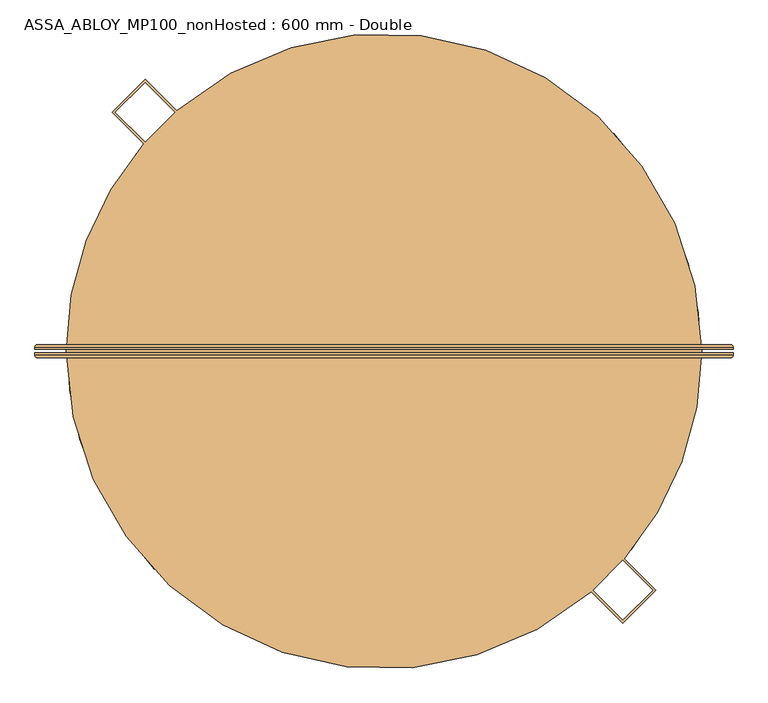
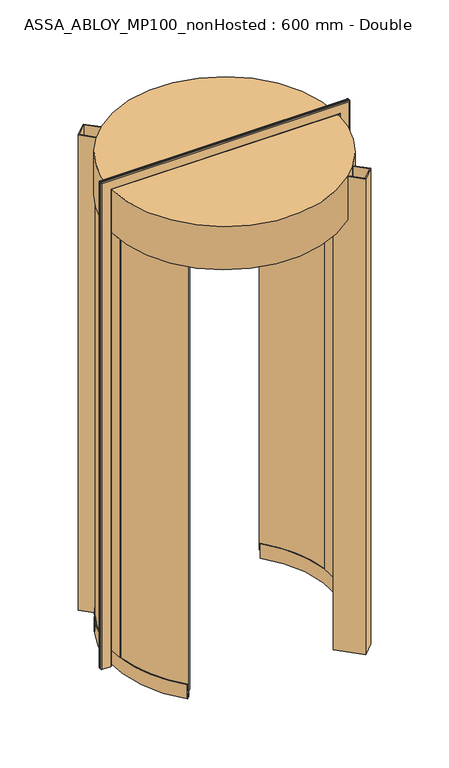
"""IFC4 building model written with IfcOpenShell, lengths in millimetres: door geometry, ASSA_ABLOY_MP100_nonHosted : 600 mm - Double."""

from ifc_helpers import new_model, si_unit, point, frame, origin, origin_2d, place, context, project, spatial, polyline, circle_curve, ellipse_curve, trimmed, segment, composite_curve, outline, extrude, source, transform, mapped, element, save
from ifc_brep_helpers import plane_surface, cylinder_surface, revolved_surface, advanced_brep


def assa_abloy_mp100_nonhosted_600_mm_double_6b673cdb(model_context):
    return source(origin(), model_context, "Body", "SolidModel", [
        advanced_brep(
        [(595.0980762, 11.0, 0.0), (599.0980762, 7.0, 0.0), (599.0980762, 3.0, 0.0), (597.0980762, 3.0, 0.0), (597.0980762, 7.0, 0.0), (595.0980762, 9.0, 0.0), (553.0980762, 9.0, 0.0), (551.0980762, 7.0, 0.0), (551.0980762, 3.0, 0.0), (549.0980762, 3.0, 0.0), (549.0980762, 7.0, 0.0), (553.0980762, 11.0, 0.0), (595.0980762, 11.0, 2470.9980762), (599.0980762, 7.0, 2474.9980762), (599.0980762, 3.0, 2474.9980762), (549.0980762, 7.0, 2424.9980762), (553.0980762, 11.0, 2428.9980762), (-553.0980762, 11.0, 2428.9980762), (-553.0980762, 11.0, 0.0), (-595.0980762, 11.0, 0.0), (-595.0980762, 11.0, 2470.9980762), (-599.0980762, 7.0, 2474.9980762), (-599.0980762, 3.0, 2474.9980762), (-549.0980762, 7.0, 2424.9980762), (-549.0980762, 7.0, 0.0), (-549.0980762, 3.0, 0.0), (-551.0980762, 3.0, 0.0), (-551.0980762, 7.0, 0.0), (-553.0980762, 9.0, 0.0), (-595.0980762, 9.0, 0.0), (-597.0980762, 7.0, 0.0), (-597.0980762, 3.0, 0.0), (-599.0980762, 3.0, 0.0), (-599.0980762, 7.0, 0.0), (-597.0980762, 3.0, 2472.9980762), (597.0980762, 3.0, 2472.9980762), (597.0980762, 7.0, 2472.9980762), (595.0980762, 9.0, 2470.9980762), (-595.0980762, 9.0, 2470.9980762), (-553.0980762, 9.0, 2428.9980762), (553.0980762, 9.0, 2428.9980762), (551.0980762, 7.0, 2426.9980762), (551.0980762, 3.0, 2426.9980762), (-551.0980762, 3.0, 2426.9980762), (-549.0980762, 3.0, 2424.9980762), (549.0980762, 3.0, 2424.9980762), (-597.0980762, 7.0, 2472.9980762), (-551.0980762, 7.0, 2426.9980762)],
        [
            (0, 1, circle_curve(frame((595.0980762, 7.0, 0.0), z_axis=(0.0, 0.0, -1.0), x_axis=(-1.0, 0.0, 0.0)), 4.0)),
            (1, 2),
            (2, 3),
            (3, 4),
            (4, 5, circle_curve(frame((595.0980762, 7.0, 0.0), z_axis=(0.0, 0.0, 1.0), x_axis=(-1.0, 0.0, 0.0)), 2.0)),
            (5, 6),
            (6, 7, circle_curve(frame((553.0980762, 7.0, 0.0), z_axis=(0.0, 0.0, 1.0), x_axis=(-1.0, 0.0, 0.0)), 2.0)),
            (7, 8),
            (8, 9),
            (9, 10),
            (10, 11, circle_curve(frame((553.0980762, 7.0, 0.0), z_axis=(0.0, 0.0, -1.0), x_axis=(-1.0, 0.0, 0.0)), 4.0)),
            (11, 0),
            (0, 12),
            (12, 13, ellipse_curve(frame((595.0980762, 7.0, 2470.9980762), z_axis=(0.7071067811865475, 0.0, -0.7071067811865475), x_axis=(-0.7071067811865474, 0.0, -0.7071067811865476)), 5.6568542, 4.0)),
            (13, 1),
            (13, 14),
            (14, 2),
            (10, 15),
            (15, 16, ellipse_curve(frame((553.0980762, 7.0, 2428.9980762), z_axis=(0.7071067811865475, 0.0, -0.7071067811865475), x_axis=(-0.7071067811865474, 0.0, -0.7071067811865476)), 5.6568542, 4.0)),
            (16, 11),
            (16, 17),
            (17, 18),
            (18, 19),
            (19, 20),
            (20, 12),
            (20, 21, ellipse_curve(frame((-595.0980762, 7.0, 2470.9980762), z_axis=(0.7071067811865475, 0.0, 0.7071067811865475), x_axis=(0.7071067811865476, 0.0, -0.7071067811865474)), 5.6568542, 4.0)),
            (21, 13),
            (21, 22),
            (22, 14),
            (15, 23),
            (23, 17, ellipse_curve(frame((-553.0980762, 7.0, 2428.9980762), z_axis=(0.7071067811865475, 0.0, 0.7071067811865475), x_axis=(0.7071067811865476, 0.0, -0.7071067811865474)), 5.6568542, 4.0)),
            (18, 24, circle_curve(frame((-553.0980762, 7.0, 0.0), z_axis=(0.0, 0.0, -1.0), x_axis=(1.0, 0.0, 0.0)), 4.0)),
            (24, 25),
            (25, 26),
            (26, 27),
            (27, 28, circle_curve(frame((-553.0980762, 7.0, 0.0), z_axis=(0.0, 0.0, 1.0), x_axis=(1.0, 0.0, 0.0)), 2.0)),
            (28, 29),
            (29, 30, circle_curve(frame((-595.0980762, 7.0, 0.0), z_axis=(0.0, 0.0, 1.0), x_axis=(1.0, 0.0, 0.0)), 2.0)),
            (30, 31),
            (31, 32),
            (32, 33),
            (33, 19, circle_curve(frame((-595.0980762, 7.0, 0.0), z_axis=(0.0, 0.0, -1.0), x_axis=(1.0, 0.0, 0.0)), 4.0)),
            (33, 21),
            (32, 22),
            (23, 24),
            (31, 34),
            (34, 35),
            (35, 3),
            (35, 36),
            (36, 4),
            (36, 37, ellipse_curve(frame((595.0980762, 7.0, 2470.9980762), z_axis=(-0.7071067811865475, 0.0, 0.7071067811865475), x_axis=(0.7071067811865474, 0.0, 0.7071067811865476)), 2.8284271, 2.0)),
            (37, 5),
            (37, 38),
            (38, 29),
            (28, 39),
            (39, 40),
            (40, 6),
            (40, 41, ellipse_curve(frame((553.0980762, 7.0, 2428.9980762), z_axis=(-0.7071067811865475, 0.0, 0.7071067811865475), x_axis=(0.7071067811865474, 0.0, 0.7071067811865476)), 2.8284271, 2.0)),
            (41, 7),
            (41, 42),
            (42, 8),
            (42, 43),
            (43, 26),
            (25, 44),
            (44, 45),
            (45, 9),
            (45, 15),
            (34, 46),
            (46, 36),
            (46, 38, ellipse_curve(frame((-595.0980762, 7.0, 2470.9980762), z_axis=(-0.7071067811865475, 0.0, -0.7071067811865475), x_axis=(-0.7071067811865476, 0.0, 0.7071067811865474)), 2.8284271, 2.0)),
            (39, 47, ellipse_curve(frame((-553.0980762, 7.0, 2428.9980762), z_axis=(-0.7071067811865475, 0.0, -0.7071067811865475), x_axis=(-0.7071067811865476, 0.0, 0.7071067811865474)), 2.8284271, 2.0)),
            (47, 41),
            (47, 43),
            (44, 23),
            (30, 46),
            (27, 47),
        ],
        [
            plane_surface(frame((549.1, 0.0, 0.0), z_axis=(0.0, 0.0, -1.0), x_axis=(0.0, -1.0, 0.0))),
            cylinder_surface(frame((595.0980762, 7.0, 0.0), z_axis=(0.0, 0.0, -1.0), x_axis=(-1.0, 0.0, 0.0)), 4.0),
            plane_surface(frame((599.0980762, 7.0, 0.0), z_axis=(1.0, 0.0, 0.0), x_axis=(0.0, 0.0, 1.0))),
            cylinder_surface(frame((553.0980762, 7.0, 0.0), z_axis=(0.0, 0.0, -1.0), x_axis=(-1.0, 0.0, 0.0)), 4.0),
            plane_surface(frame((553.0980762, 11.0, 0.0), z_axis=(0.0, 1.0, 0.0), x_axis=(0.0, 0.0, 1.0))),
            cylinder_surface(frame((549.1, 7.0, 2470.9980762), z_axis=(1.0, 0.0, 0.0), x_axis=(0.0, 0.0, -1.0)), 4.0),
            plane_surface(frame((599.0980762, 7.0, 2474.9980762), z_axis=(0.0, 0.0, 1.0), x_axis=(-1.0, 0.0, 0.0))),
            cylinder_surface(frame((549.1, 7.0, 2428.9980762), z_axis=(1.0, 0.0, 0.0), x_axis=(0.0, 0.0, -1.0)), 4.0),
            plane_surface(frame((-549.1, 0.0, 0.0), z_axis=(0.0, 0.0, -1.0), x_axis=(0.0, -1.0, 0.0))),
            cylinder_surface(frame((-595.0980762, 7.0, 2425.0), z_axis=(0.0, 0.0, 1.0), x_axis=(1.0, 0.0, 0.0)), 4.0),
            plane_surface(frame((-599.0980762, 7.0, 2474.9980762), z_axis=(-1.0, 0.0, 0.0), x_axis=(0.0, 0.0, -1.0))),
            cylinder_surface(frame((-553.0980762, 7.0, 2425.0), z_axis=(0.0, 0.0, 1.0), x_axis=(1.0, 0.0, 0.0)), 4.0),
            plane_surface(frame((599.0980762, 3.0, 0.0), z_axis=(0.0, -1.0, 0.0), x_axis=(0.0, 0.0, 1.0))),
            plane_surface(frame((597.0980762, 3.0, 0.0), z_axis=(-1.0, 0.0, 0.0), x_axis=(0.0, 0.0, 1.0))),
            revolved_surface(polyline([(593.0980762, 7.0, 2472.9980762), (593.0980762, 7.0, 0.0)]), (595.0980762, 7.0, 0.0), (0.0, 0.0, 1.0)),
            plane_surface(frame((595.0980762, 9.0, 0.0), z_axis=(0.0, -1.0, 0.0), x_axis=(0.0, 0.0, 1.0))),
            revolved_surface(polyline([(551.0980762, 7.0, 2430.998076182502), (551.0980762, 7.0, 0.0)]), (553.0980762, 7.0, 0.0), (0.0, 0.0, 1.0)),
            plane_surface(frame((551.0980762, 7.0, 0.0), z_axis=(1.0, 0.0, 0.0), x_axis=(0.0, 0.0, 1.0))),
            plane_surface(frame((551.0980762, 3.0, 0.0), z_axis=(0.0, -1.0, 0.0), x_axis=(0.0, 0.0, 1.0))),
            plane_surface(frame((549.0980762, 3.0, 0.0), z_axis=(-1.0, 0.0, 0.0), x_axis=(0.0, 0.0, 1.0))),
            plane_surface(frame((597.0980762, 3.0, 2472.9980762), z_axis=(0.0, 0.0, -1.0), x_axis=(-1.0, 0.0, 0.0))),
            revolved_surface(polyline([(-597.0980762, 7.0, 2468.9980762), (597.0980762, 7.0, 2468.9980762)]), (549.1, 7.0, 2470.9980762), (-1.0, 0.0, 0.0)),
            revolved_surface(polyline([(-555.0980761825018, 7.0, 2426.9980762), (555.0980761825018, 7.0, 2426.9980762)]), (549.1, 7.0, 2428.9980762), (-1.0, 0.0, 0.0)),
            plane_surface(frame((551.0980762, 7.0, 2426.9980762), z_axis=(0.0, 0.0, 1.0), x_axis=(-1.0, 0.0, 0.0))),
            plane_surface(frame((549.0980762, 3.0, 2424.9980762), z_axis=(0.0, 0.0, -1.0), x_axis=(-1.0, 0.0, 0.0))),
            plane_surface(frame((-597.0980762, 3.0, 2472.9980762), z_axis=(1.0, 0.0, 0.0), x_axis=(0.0, 0.0, -1.0))),
            revolved_surface(polyline([(-593.0980762, 7.0, 0.0), (-593.0980762, 7.0, 2472.9980762)]), (-595.0980762, 7.0, 2425.0), (0.0, 0.0, -1.0)),
            revolved_surface(polyline([(-551.0980762, 7.0, 0.0), (-551.0980762, 7.0, 2430.998076182502)]), (-553.0980762, 7.0, 2425.0), (0.0, 0.0, -1.0)),
            plane_surface(frame((-551.0980762, 7.0, 2426.9980762), z_axis=(-1.0, 0.0, 0.0), x_axis=(0.0, 0.0, -1.0))),
            plane_surface(frame((-549.0980762, 3.0, 2424.9980762), z_axis=(1.0, 0.0, 0.0), x_axis=(0.0, 0.0, -1.0))),
        ],
        [
            (0, [[1, 2, 3, 4, 5, 6, 7, 8, 9, 10, 11, 12]]),
            (1, [[-1, 13, 14, 15]]),
            (2, [[-2, -15, 16, 17]]),
            (3, [[-11, 18, 19, 20]]),
            (4, [[-12, -20, 21, 22, 23, 24, 25, -13]]),
            (5, [[-14, -25, 26, 27]]),
            (6, [[-16, -27, 28, 29]]),
            (7, [[-19, 30, 31, -21]]),
            (8, [[-23, 32, 33, 34, 35, 36, 37, 38, 39, 40, 41, 42]]),
            (9, [[-26, -24, -42, 43]]),
            (10, [[-28, -43, -41, 44]]),
            (11, [[-31, 45, -32, -22]]),
            (12, [[-3, -17, -29, -44, -40, 46, 47, 48]]),
            (13, [[-4, -48, 49, 50]]),
            (14, [[-5, -50, 51, 52]]),
            (15, [[-6, -52, 53, 54, -37, 55, 56, 57]]),
            (16, [[-7, -57, 58, 59]]),
            (17, [[-8, -59, 60, 61]]),
            (18, [[-9, -61, 62, 63, -34, 64, 65, 66]]),
            (19, [[-10, -66, 67, -18]]),
            (20, [[-49, -47, 68, 69]]),
            (21, [[-51, -69, 70, -53]]),
            (22, [[-58, -56, 71, 72]]),
            (23, [[-60, -72, 73, -62]]),
            (24, [[-67, -65, 74, -30]]),
            (25, [[-68, -46, -39, 75]]),
            (26, [[-70, -75, -38, -54]]),
            (27, [[-71, -55, -36, 76]]),
            (28, [[-73, -76, -35, -63]]),
            (29, [[-74, -64, -33, -45]]),
        ],
    ),
        advanced_brep(
        [(549.0980762, -3.0, 0.0), (551.0980762, -3.0, 0.0), (551.0980762, -7.0, 0.0), (553.0980762, -9.0, 0.0), (595.0980762, -9.0, 0.0), (597.0980762, -7.0, 0.0), (597.0980762, -3.0, 0.0), (599.0980762, -3.0, 0.0), (599.0980762, -7.0, 0.0), (595.0980762, -11.0, 0.0), (553.0980762, -11.0, 0.0), (549.0980762, -7.0, 0.0), (599.0980762, -7.0, 2474.9980762), (595.0980762, -11.0, 2470.9980762), (-595.0980762, -11.0, 2470.9980762), (-595.0980762, -11.0, 0.0), (-553.0980762, -11.0, 0.0), (-553.0980762, -11.0, 2428.9980762), (553.0980762, -11.0, 2428.9980762), (549.0980762, -7.0, 2424.9980762), (549.0980762, -3.0, 2424.9980762), (-599.0980762, -7.0, 2474.9980762), (-549.0980762, -7.0, 2424.9980762), (-549.0980762, -3.0, 2424.9980762), (-549.0980762, -3.0, 0.0), (-549.0980762, -7.0, 0.0), (-599.0980762, -7.0, 0.0), (-599.0980762, -3.0, 0.0), (-597.0980762, -3.0, 0.0), (-597.0980762, -7.0, 0.0), (-595.0980762, -9.0, 0.0), (-553.0980762, -9.0, 0.0), (-551.0980762, -7.0, 0.0), (-551.0980762, -3.0, 0.0), (-551.0980762, -3.0, 2426.9980762), (551.0980762, -3.0, 2426.9980762), (551.0980762, -7.0, 2426.9980762), (553.0980762, -9.0, 2428.9980762), (-553.0980762, -9.0, 2428.9980762), (-595.0980762, -9.0, 2470.9980762), (595.0980762, -9.0, 2470.9980762), (597.0980762, -7.0, 2472.9980762), (597.0980762, -3.0, 2472.9980762), (-597.0980762, -3.0, 2472.9980762), (-599.0980762, -3.0, 2474.9980762), (599.0980762, -3.0, 2474.9980762), (-551.0980762, -7.0, 2426.9980762), (-597.0980762, -7.0, 2472.9980762)],
        [
            (0, 1),
            (1, 2),
            (2, 3, circle_curve(frame((553.0980762, -7.0, 0.0), z_axis=(0.0, 0.0, 1.0), x_axis=(-1.0, 0.0, 0.0)), 2.0)),
            (3, 4),
            (4, 5, circle_curve(frame((595.0980762, -7.0, 0.0), z_axis=(0.0, 0.0, 1.0), x_axis=(-1.0, 0.0, 0.0)), 2.0)),
            (5, 6),
            (6, 7),
            (7, 8),
            (8, 9, circle_curve(frame((595.0980762, -7.0, 0.0), z_axis=(0.0, 0.0, -1.0), x_axis=(-1.0, 0.0, 0.0)), 4.0)),
            (9, 10),
            (10, 11, circle_curve(frame((553.0980762, -7.0, 0.0), z_axis=(0.0, 0.0, -1.0), x_axis=(-1.0, 0.0, 0.0)), 4.0)),
            (11, 0),
            (8, 12),
            (12, 13, ellipse_curve(frame((595.0980762, -7.0, 2470.9980762), z_axis=(0.7071067811865475, 0.0, -0.7071067811865475), x_axis=(-0.7071067811865474, 0.0, -0.7071067811865476)), 5.6568542, 4.0)),
            (13, 9),
            (13, 14),
            (14, 15),
            (15, 16),
            (16, 17),
            (17, 18),
            (18, 10),
            (18, 19, ellipse_curve(frame((553.0980762, -7.0, 2428.9980762), z_axis=(0.7071067811865475, 0.0, -0.7071067811865475), x_axis=(-0.7071067811865474, 0.0, -0.7071067811865476)), 5.6568542, 4.0)),
            (19, 11),
            (19, 20),
            (20, 0),
            (12, 21),
            (21, 14, ellipse_curve(frame((-595.0980762, -7.0, 2470.9980762), z_axis=(0.7071067811865475, 0.0, 0.7071067811865475), x_axis=(0.7071067811865476, 0.0, -0.7071067811865474)), 5.6568542, 4.0)),
            (17, 22, ellipse_curve(frame((-553.0980762, -7.0, 2428.9980762), z_axis=(0.7071067811865475, 0.0, 0.7071067811865475), x_axis=(0.7071067811865476, 0.0, -0.7071067811865474)), 5.6568542, 4.0)),
            (22, 19),
            (22, 23),
            (23, 20),
            (24, 25),
            (25, 16, circle_curve(frame((-553.0980762, -7.0, 0.0), z_axis=(0.0, 0.0, -1.0), x_axis=(1.0, 0.0, 0.0)), 4.0)),
            (15, 26, circle_curve(frame((-595.0980762, -7.0, 0.0), z_axis=(0.0, 0.0, -1.0), x_axis=(1.0, 0.0, 0.0)), 4.0)),
            (26, 27),
            (27, 28),
            (28, 29),
            (29, 30, circle_curve(frame((-595.0980762, -7.0, 0.0), z_axis=(0.0, 0.0, 1.0), x_axis=(1.0, 0.0, 0.0)), 2.0)),
            (30, 31),
            (31, 32, circle_curve(frame((-553.0980762, -7.0, 0.0), z_axis=(0.0, 0.0, 1.0), x_axis=(1.0, 0.0, 0.0)), 2.0)),
            (32, 33),
            (33, 24),
            (21, 26),
            (25, 22),
            (24, 23),
            (33, 34),
            (34, 35),
            (35, 1),
            (35, 36),
            (36, 2),
            (36, 37, ellipse_curve(frame((553.0980762, -7.0, 2428.9980762), z_axis=(-0.7071067811865475, 0.0, 0.7071067811865475), x_axis=(0.7071067811865474, 0.0, 0.7071067811865476)), 2.8284271, 2.0)),
            (37, 3),
            (37, 38),
            (38, 31),
            (30, 39),
            (39, 40),
            (40, 4),
            (40, 41, ellipse_curve(frame((595.0980762, -7.0, 2470.9980762), z_axis=(-0.7071067811865475, 0.0, 0.7071067811865475), x_axis=(0.7071067811865474, 0.0, 0.7071067811865476)), 2.8284271, 2.0)),
            (41, 5),
            (41, 42),
            (42, 6),
            (42, 43),
            (43, 28),
            (27, 44),
            (44, 45),
            (45, 7),
            (45, 12),
            (34, 46),
            (46, 36),
            (46, 38, ellipse_curve(frame((-553.0980762, -7.0, 2428.9980762), z_axis=(-0.7071067811865475, 0.0, -0.7071067811865475), x_axis=(-0.7071067811865476, 0.0, 0.7071067811865474)), 2.8284271, 2.0)),
            (39, 47, ellipse_curve(frame((-595.0980762, -7.0, 2470.9980762), z_axis=(-0.7071067811865475, 0.0, -0.7071067811865475), x_axis=(-0.7071067811865476, 0.0, 0.7071067811865474)), 2.8284271, 2.0)),
            (47, 41),
            (47, 43),
            (44, 21),
            (32, 46),
            (29, 47),
        ],
        [
            plane_surface(frame((549.1, 0.0, 0.0), z_axis=(0.0, 0.0, -1.0), x_axis=(0.0, -1.0, 0.0))),
            cylinder_surface(frame((595.0980762, -7.0, 0.0), z_axis=(0.0, 0.0, -1.0), x_axis=(-1.0, 0.0, 0.0)), 4.0),
            plane_surface(frame((595.0980762, -11.0, 0.0), z_axis=(0.0, -1.0, 0.0), x_axis=(0.0, 0.0, 1.0))),
            cylinder_surface(frame((553.0980762, -7.0, 0.0), z_axis=(0.0, 0.0, -1.0), x_axis=(-1.0, 0.0, 0.0)), 4.0),
            plane_surface(frame((549.0980762, -7.0, 0.0), z_axis=(-1.0, 0.0, 0.0), x_axis=(0.0, 0.0, 1.0))),
            cylinder_surface(frame((549.1, -7.0, 2470.9980762), z_axis=(1.0, 0.0, 0.0), x_axis=(0.0, 0.0, -1.0)), 4.0),
            cylinder_surface(frame((549.1, -7.0, 2428.9980762), z_axis=(1.0, 0.0, 0.0), x_axis=(0.0, 0.0, -1.0)), 4.0),
            plane_surface(frame((549.0980762, -7.0, 2424.9980762), z_axis=(0.0, 0.0, -1.0), x_axis=(-1.0, 0.0, 0.0))),
            plane_surface(frame((-549.1, 0.0, 0.0), z_axis=(0.0, 0.0, -1.0), x_axis=(0.0, -1.0, 0.0))),
            cylinder_surface(frame((-595.0980762, -7.0, 2425.0), z_axis=(0.0, 0.0, 1.0), x_axis=(1.0, 0.0, 0.0)), 4.0),
            cylinder_surface(frame((-553.0980762, -7.0, 2425.0), z_axis=(0.0, 0.0, 1.0), x_axis=(1.0, 0.0, 0.0)), 4.0),
            plane_surface(frame((-549.0980762, -7.0, 2424.9980762), z_axis=(1.0, 0.0, 0.0), x_axis=(0.0, 0.0, -1.0))),
            plane_surface(frame((549.0980762, -3.0, 0.0), z_axis=(0.0, 1.0, 0.0), x_axis=(0.0, 0.0, 1.0))),
            plane_surface(frame((551.0980762, -3.0, 0.0), z_axis=(1.0, 0.0, 0.0), x_axis=(0.0, 0.0, 1.0))),
            revolved_surface(polyline([(551.0980762, -7.0, 2430.998076182502), (551.0980762, -7.0, 0.0)]), (553.0980762, -7.0, 0.0), (0.0, 0.0, 1.0)),
            plane_surface(frame((553.0980762, -9.0, 0.0), z_axis=(0.0, 1.0, 0.0), x_axis=(0.0, 0.0, 1.0))),
            revolved_surface(polyline([(593.0980762, -7.0, 2472.9980762), (593.0980762, -7.0, 0.0)]), (595.0980762, -7.0, 0.0), (0.0, 0.0, 1.0)),
            plane_surface(frame((597.0980762, -7.0, 0.0), z_axis=(-1.0, 0.0, 0.0), x_axis=(0.0, 0.0, 1.0))),
            plane_surface(frame((597.0980762, -3.0, 0.0), z_axis=(0.0, 1.0, 0.0), x_axis=(0.0, 0.0, 1.0))),
            plane_surface(frame((599.0980762, -3.0, 0.0), z_axis=(1.0, 0.0, 0.0), x_axis=(0.0, 0.0, 1.0))),
            plane_surface(frame((551.0980762, -3.0, 2426.9980762), z_axis=(0.0, 0.0, 1.0), x_axis=(-1.0, 0.0, 0.0))),
            revolved_surface(polyline([(-555.0980761825018, -7.0, 2426.9980762), (555.0980761825018, -7.0, 2426.9980762)]), (549.1, -7.0, 2428.9980762), (-1.0, 0.0, 0.0)),
            revolved_surface(polyline([(-597.0980762, -7.0, 2468.9980762), (597.0980762, -7.0, 2468.9980762)]), (549.1, -7.0, 2470.9980762), (-1.0, 0.0, 0.0)),
            plane_surface(frame((597.0980762, -7.0, 2472.9980762), z_axis=(0.0, 0.0, -1.0), x_axis=(-1.0, 0.0, 0.0))),
            plane_surface(frame((599.0980762, -3.0, 2474.9980762), z_axis=(0.0, 0.0, 1.0), x_axis=(-1.0, 0.0, 0.0))),
            plane_surface(frame((-551.0980762, -3.0, 2426.9980762), z_axis=(-1.0, 0.0, 0.0), x_axis=(0.0, 0.0, -1.0))),
            revolved_surface(polyline([(-551.0980762, -7.0, 0.0), (-551.0980762, -7.0, 2430.998076182502)]), (-553.0980762, -7.0, 2425.0), (0.0, 0.0, -1.0)),
            revolved_surface(polyline([(-593.0980762, -7.0, 0.0), (-593.0980762, -7.0, 2472.9980762)]), (-595.0980762, -7.0, 2425.0), (0.0, 0.0, -1.0)),
            plane_surface(frame((-597.0980762, -7.0, 2472.9980762), z_axis=(1.0, 0.0, 0.0), x_axis=(0.0, 0.0, -1.0))),
            plane_surface(frame((-599.0980762, -3.0, 2474.9980762), z_axis=(-1.0, 0.0, 0.0), x_axis=(0.0, 0.0, -1.0))),
        ],
        [
            (0, [[1, 2, 3, 4, 5, 6, 7, 8, 9, 10, 11, 12]]),
            (1, [[-9, 13, 14, 15]]),
            (2, [[-10, -15, 16, 17, 18, 19, 20, 21]]),
            (3, [[-11, -21, 22, 23]]),
            (4, [[-12, -23, 24, 25]]),
            (5, [[-14, 26, 27, -16]]),
            (6, [[-22, -20, 28, 29]]),
            (7, [[-24, -29, 30, 31]]),
            (8, [[32, 33, -18, 34, 35, 36, 37, 38, 39, 40, 41, 42]]),
            (9, [[-27, 43, -34, -17]]),
            (10, [[-28, -19, -33, 44]]),
            (11, [[-30, -44, -32, 45]]),
            (12, [[-1, -25, -31, -45, -42, 46, 47, 48]]),
            (13, [[-2, -48, 49, 50]]),
            (14, [[-3, -50, 51, 52]]),
            (15, [[-4, -52, 53, 54, -39, 55, 56, 57]]),
            (16, [[-5, -57, 58, 59]]),
            (17, [[-6, -59, 60, 61]]),
            (18, [[-7, -61, 62, 63, -36, 64, 65, 66]]),
            (19, [[-8, -66, 67, -13]]),
            (20, [[-49, -47, 68, 69]]),
            (21, [[-51, -69, 70, -53]]),
            (22, [[-58, -56, 71, 72]]),
            (23, [[-60, -72, 73, -62]]),
            (24, [[-67, -65, 74, -26]]),
            (25, [[-68, -46, -41, 75]]),
            (26, [[-70, -75, -40, -54]]),
            (27, [[-71, -55, -38, 76]]),
            (28, [[-73, -76, -37, -63]]),
            (29, [[-74, -64, -35, -43]]),
        ],
    ),
        advanced_brep(
        [(-379.7517034, -360.4070563, 73.0), (-381.9277231, -362.472229, 73.0), (-381.9277231, -362.472229, 39.0), (-392.0824817, -372.1097016, 39.0), (-392.0824817, -372.1097016, 73.0), (-394.2585014, -374.1748743, 73.0), (-394.2585014, -374.1748743, 0.0), (-392.0824817, -372.1097016, 0.0), (-392.0824817, -372.1097016, 24.0), (-381.9277231, -362.472229, 24.0), (-381.9277231, -362.472229, 0.0), (-379.7517034, -360.4070563, 0.0), (-408.2986839, 327.7144904, 73.0), (-408.2986839, 327.7144904, 0.0), (-410.638281, 329.5923311, 0.0), (-410.638281, 329.5923311, 24.0), (-421.5564007, 338.3555874, 24.0), (-421.5564007, 338.3555874, 0.0), (-423.8959978, 340.2334281, 0.0), (-423.8959978, 340.2334281, 73.0), (-421.5564007, 338.3555874, 73.0), (-421.5564007, 338.3555874, 39.0), (-410.638281, 329.5923311, 39.0), (-410.638281, 329.5923311, 73.0), (-519.6530012, -63.760182, 73.0), (-522.630671, -64.1255349, 73.0), (-526.2534983, 17.6679957, 73.0), (-523.2551876, 17.567333, 73.0), (-540.2456161, 18.1377186, 73.0), (-536.5264677, -65.830479, 73.0), (-539.5041375, -66.1958317, 73.0), (-543.2439268, 18.2383812, 73.0), (-543.2439268, 18.2383812, 2200.0), (-539.5041375, -66.1958317, 2200.0), (-536.5264677, -65.830479, 2200.0), (-540.2456161, 18.1377186, 2200.0), (-523.2551876, 17.567333, 2200.0), (-526.2534983, 17.6679957, 2200.0), (-522.630671, -64.1255349, 2200.0), (-519.6530012, -63.760182, 2200.0)],
        [
            (0, 1),
            (1, 2),
            (2, 3),
            (3, 4),
            (4, 5),
            (5, 6),
            (6, 7),
            (7, 8),
            (8, 9),
            (9, 10),
            (10, 11),
            (11, 0),
            (12, 13),
            (13, 14),
            (14, 15),
            (15, 16),
            (16, 17),
            (17, 18),
            (18, 19),
            (19, 20),
            (20, 21),
            (21, 22),
            (22, 23),
            (23, 12),
            (0, 24, circle_curve(frame((0.0, 0.0, 73.0), z_axis=(0.0, 0.0, -1.0), x_axis=(-0.7253398976610149, -0.6883909012044744, 0.0)), 523.55)),
            (24, 25),
            (25, 1, circle_curve(frame((0.0, 0.0, 73.0), z_axis=(0.0, 0.0, 1.0), x_axis=(-0.7253398976610149, -0.6883909012044744, 0.0)), 526.55)),
            (23, 26, circle_curve(frame((0.0, 0.0, 73.0), z_axis=(0.0, 0.0, 1.0), x_axis=(-0.7253398976610149, -0.6883909012044744, 0.0)), 526.55)),
            (26, 27),
            (27, 12, circle_curve(frame((0.0, 0.0, 73.0), z_axis=(0.0, 0.0, -1.0), x_axis=(-0.7253398976610149, -0.6883909012044744, 0.0)), 523.55)),
            (25, 26, circle_curve(frame((0.0, 0.0, 73.0), z_axis=(0.0, 0.0, -1.0), x_axis=(-0.7253398976610149, -0.6883909012044744, 0.0)), 526.55)),
            (22, 2, circle_curve(frame((0.0, 0.0, 39.0), z_axis=(0.0, 0.0, 1.0), x_axis=(-0.7253398976610149, -0.6883909012044744, 0.0)), 526.55)),
            (21, 3, circle_curve(frame((0.0, 0.0, 39.0), z_axis=(0.0, 0.0, 1.0), x_axis=(-0.7253398976610149, -0.6883909012044744, 0.0)), 540.55)),
            (20, 28, circle_curve(frame((0.0, 0.0, 73.0), z_axis=(0.0, 0.0, 1.0), x_axis=(-0.7253398976610149, -0.6883909012044744, 0.0)), 540.55)),
            (28, 29, circle_curve(frame((0.0, 0.0, 73.0), z_axis=(0.0, 0.0, 1.0), x_axis=(-0.7253398976610149, -0.6883909012044744, 0.0)), 540.55)),
            (29, 4, circle_curve(frame((0.0, 0.0, 73.0), z_axis=(0.0, 0.0, 1.0), x_axis=(-0.7253398976610149, -0.6883909012044744, 0.0)), 540.55)),
            (29, 30),
            (30, 5, circle_curve(frame((0.0, 0.0, 73.0), z_axis=(0.0, 0.0, 1.0), x_axis=(-0.7253398976610149, -0.6883909012044744, 0.0)), 543.55)),
            (19, 31, circle_curve(frame((0.0, 0.0, 73.0), z_axis=(0.0, 0.0, 1.0), x_axis=(-0.7253398976610149, -0.6883909012044744, 0.0)), 543.55)),
            (31, 28),
            (30, 31, circle_curve(frame((0.0, 0.0, 73.0), z_axis=(0.0, 0.0, -1.0), x_axis=(-0.7253398976610149, -0.6883909012044744, 0.0)), 543.55)),
            (18, 6, circle_curve(frame((0.0, 0.0, 0.0), z_axis=(0.0, 0.0, 1.0), x_axis=(-0.7253398976610149, -0.6883909012044744, 0.0)), 543.55)),
            (17, 7, circle_curve(frame((0.0, 0.0, 0.0), z_axis=(0.0, 0.0, 1.0), x_axis=(-0.7253398976610149, -0.6883909012044744, 0.0)), 540.55)),
            (16, 8, circle_curve(frame((0.0, 0.0, 24.0), z_axis=(0.0, 0.0, 1.0), x_axis=(-0.7253398976610149, -0.6883909012044744, 0.0)), 540.55)),
            (15, 9, circle_curve(frame((0.0, 0.0, 24.0), z_axis=(0.0, 0.0, 1.0), x_axis=(-0.7253398976610149, -0.6883909012044744, 0.0)), 526.55)),
            (14, 10, circle_curve(frame((0.0, 0.0, 0.0), z_axis=(0.0, 0.0, 1.0), x_axis=(-0.7253398976610149, -0.6883909012044744, 0.0)), 526.55)),
            (13, 11, circle_curve(frame((0.0, 0.0, 0.0), z_axis=(0.0, 0.0, 1.0), x_axis=(-0.7253398976610149, -0.6883909012044744, 0.0)), 523.55)),
            (27, 24, circle_curve(frame((0.0, 0.0, 73.0), z_axis=(0.0, 0.0, 1.0), x_axis=(-0.7253398976610149, -0.6883909012044744, 0.0)), 523.55)),
            (32, 33, circle_curve(frame((0.0, 0.0, 2200.0), z_axis=(0.0, 0.0, 1.0), x_axis=(0.7071067811865459, -0.7071067811865491, 0.0)), 543.55)),
            (33, 34),
            (34, 35, circle_curve(frame((0.0, 0.0, 2200.0), z_axis=(0.0, 0.0, -1.0), x_axis=(0.7071067811865459, -0.7071067811865491, 0.0)), 540.55)),
            (35, 32),
            (32, 31),
            (30, 33),
            (29, 34),
            (28, 35),
            (36, 37),
            (37, 38, circle_curve(frame((0.0, 0.0, 2200.0), z_axis=(0.0, 0.0, 1.0), x_axis=(0.7071067811865459, -0.7071067811865492, 0.0)), 526.55)),
            (38, 39),
            (39, 36, circle_curve(frame((0.0, 0.0, 2200.0), z_axis=(0.0, 0.0, -1.0), x_axis=(0.7071067811865459, -0.7071067811865492, 0.0)), 523.55)),
            (36, 27),
            (26, 37),
            (25, 38),
            (24, 39),
        ],
        [
            plane_surface(frame((-387.0051024, -367.2909653, 0.0), z_axis=(0.6883909012044744, -0.725339897661015, 0.0), x_axis=(0.0, 0.0, 1.0))),
            plane_surface(frame((-416.0973408, 333.9739593, 0.0), z_axis=(0.6259468826825044, 0.7798656936037481, 0.0), x_axis=(0.0, 0.0, 1.0))),
            plane_surface(frame((0.0, 0.0, 73.0), z_axis=(0.0, 0.0, 1.0), x_axis=(-0.7253398976610149, -0.6883909012044744, 0.0))),
            cylinder_surface(frame((0.0, 0.0, 0.0), z_axis=(0.0, 0.0, -1.0), x_axis=(-0.7253398976610149, -0.6883909012044744, 0.0)), 526.55),
            plane_surface(frame((0.0, 0.0, 39.0), z_axis=(0.0, 0.0, 1.0), x_axis=(-0.7253398976610149, -0.6883909012044744, 0.0))),
            revolved_surface(polyline([(-392.0824816806616, -372.10970164607863, 39.0), (-392.0824816806616, -372.10970164607863, 73.0)]), (0.0, 0.0, 0.0), (0.0, 0.0, -1.0)),
            cylinder_surface(frame((0.0, 0.0, 0.0), z_axis=(0.0, 0.0, -1.0), x_axis=(-0.7253398976610149, -0.6883909012044744, 0.0)), 543.55),
            plane_surface(frame((0.0, 0.0, 0.0), z_axis=(0.0, 0.0, -1.0), x_axis=(-0.7253398976610149, -0.6883909012044744, 0.0))),
            revolved_surface(polyline([(-392.0824816806616, -372.10970164607863, 0.0), (-392.0824816806616, -372.10970164607863, 24.0)]), (0.0, 0.0, 0.0), (0.0, 0.0, -1.0)),
            plane_surface(frame((0.0, 0.0, 24.0), z_axis=(0.0, 0.0, -1.0), x_axis=(-0.7253398976610149, -0.6883909012044744, 0.0))),
            revolved_surface(polyline([(-379.75170342042435, -360.4070563256026, 0.0), (-379.75170342042435, -360.4070563256026, 73.0)]), (0.0, 0.0, 0.0), (0.0, 0.0, -1.0)),
            plane_surface(frame((384.3478909, -384.3478909, 2200.0), z_axis=(0.0, 0.0, 1.0), x_axis=(0.7071067811865491, 0.7071067811865459, 0.0))),
            cylinder_surface(frame((0.0, 0.0, 73.0), z_axis=(0.0, 0.0, 1.0), x_axis=(0.7071067811865459, -0.7071067811865491, 0.0)), 543.55),
            plane_surface(frame((-539.5041375, -66.1958317, 2200.0), z_axis=(0.12178426043455753, -0.9925565948148287, 0.0), x_axis=(0.0, 0.0, -1.0))),
            revolved_surface(polyline([(382.22657057038737, -382.2265705703891, 73.0), (382.22657057038737, -382.2265705703891, 2200.0)]), (0.0, 0.0, 73.0), (0.0, 0.0, -1.0)),
            plane_surface(frame((-540.2456161, 18.1377186, 2200.0), z_axis=(0.033554197757509445, 0.9994368993652626, 0.0), x_axis=(0.0, 0.0, -1.0))),
            plane_surface(frame((-523.2551876, 17.567333, 2200.0), z_axis=(0.0, 0.0, 1.0000000000000002), x_axis=(-0.9994368982082206, 0.03355423222085559, 0.0))),
            plane_surface(frame((-523.2551876, 17.567333, 2200.0), z_axis=(0.03355423222085559, 0.9994368982082206, 0.0), x_axis=(0.0, 0.0, -1.0))),
            cylinder_surface(frame((0.0, 0.0, 73.0), z_axis=(0.0, 0.0, 1.0000000000000002), x_axis=(0.7071067811865459, -0.7071067811865492, 0.0)), 526.55),
            plane_surface(frame((-522.630671, -64.1255349, 2200.0), z_axis=(0.12178429472698447, -0.9925565906072313, 0.0), x_axis=(0.0, 0.0, -1.0))),
            revolved_surface(polyline([(370.2057552902161, -370.20575529021784, 73.0), (370.2057552902161, -370.20575529021784, 2200.000000000001)]), (0.0, 0.0, 73.0), (0.0, 0.0, -1.0000000000000002)),
        ],
        [
            (0, [[1, 2, 3, 4, 5, 6, 7, 8, 9, 10, 11, 12]]),
            (1, [[13, 14, 15, 16, 17, 18, 19, 20, 21, 22, 23, 24]]),
            (2, [[-1, 25, 26, 27]]),
            (2, [[-24, 28, 29, 30]]),
            (3, [[-2, -27, 31, -28, -23, 32]]),
            (4, [[-3, -32, -22, 33]]),
            (5, [[-4, -33, -21, 34, 35, 36]]),
            (2, [[-5, -36, 37, 38]]),
            (2, [[-20, 39, 40, -34]]),
            (6, [[-6, -38, 41, -39, -19, 42]]),
            (7, [[-7, -42, -18, 43]]),
            (8, [[-8, -43, -17, 44]]),
            (9, [[-9, -44, -16, 45]]),
            (3, [[-10, -45, -15, 46]]),
            (7, [[-11, -46, -14, 47]]),
            (10, [[-12, -47, -13, -30, 48, -25]]),
            (11, [[49, 50, 51, 52]]),
            (12, [[-49, 53, -41, 54]]),
            (13, [[-50, -54, -37, 55]]),
            (14, [[-51, -55, -35, 56]]),
            (15, [[-52, -56, -40, -53]]),
            (16, [[57, 58, 59, 60]]),
            (17, [[-57, 61, -29, 62]]),
            (18, [[-58, -62, -31, 63]]),
            (19, [[-59, -63, -26, 64]]),
            (20, [[-60, -64, -48, -61]]),
        ],
    ),
        advanced_brep(
        [(539.502708, 66.1956627, 2200.0), (536.5250382, 65.8303099, 2200.0), (540.2441773, -18.1376765, 2200.0), (543.2424879, -18.2383391, 2200.0), (539.502708, 66.1956627, 73.0), (536.5250382, 65.8303099, 73.0), (540.2441773, -18.1376765, 73.0), (543.2424879, -18.2383391, 73.0), (421.5578551, -338.3514758, 24.0), (421.5578551, -338.3514758, 0.0), (423.8974665, -340.2292986, 0.0), (423.8974665, -340.2292986, 73.0), (421.5578551, -338.3514758, 73.0), (421.5578551, -338.3514758, 39.0), (410.6396687, -329.5883026, 39.0), (410.6396687, -329.5883026, 73.0), (408.3000573, -327.7104797, 73.0), (408.3000573, -327.7104797, 0.0), (410.6396687, -329.5883026, 0.0), (410.6396687, -329.5883026, 24.0), (392.0833993, 372.1066438, 24.0), (381.92859, 362.4692247, 24.0), (381.92859, 362.4692247, 0.0), (379.7525594, 360.4040634, 0.0), (379.7525594, 360.4040634, 73.0), (381.92859, 362.4692247, 73.0), (381.92859, 362.4692247, 39.0), (392.0833993, 372.1066438, 39.0), (392.0833993, 372.1066438, 73.0), (394.2594299, 374.171805, 73.0), (394.2594299, 374.171805, 0.0), (392.0833993, 372.1066438, 0.0), (522.6292459, 64.1253301, 73.0), (526.2520607, -17.6679176, 73.0), (523.25375, -17.567255, 73.0), (519.6515761, 63.7599773, 73.0), (519.6515761, 63.7599773, 2200.0), (523.25375, -17.567255, 2200.0), (526.2520607, -17.6679176, 2200.0), (522.6292459, 64.1253301, 2200.0)],
        [
            (0, 1),
            (1, 2, circle_curve(frame((0.0, 0.0, 2200.0), z_axis=(0.0, 0.0, -1.0), x_axis=(-0.7071067811865481, -0.7071067811865469, 0.0)), 540.5485606)),
            (2, 3),
            (3, 0, circle_curve(frame((0.0, 0.0, 2200.0), z_axis=(0.0, 0.0, 1.0), x_axis=(-0.7071067811865481, -0.7071067811865469, 0.0)), 543.5485606)),
            (0, 4),
            (4, 5),
            (5, 1),
            (5, 6, circle_curve(frame((0.0, 0.0, 73.0), z_axis=(0.0, 0.0, -1.0), x_axis=(-0.7071067811865481, -0.7071067811865469, 0.0)), 540.5485606)),
            (6, 2),
            (6, 7),
            (7, 3),
            (7, 4, circle_curve(frame((0.0, 0.0, 73.0), z_axis=(0.0, 0.0, 1.0), x_axis=(-0.7071067811865481, -0.7071067811865469, 0.0)), 543.5485606)),
            (8, 9),
            (9, 10),
            (10, 11),
            (11, 12),
            (12, 13),
            (13, 14),
            (14, 15),
            (15, 16),
            (16, 17),
            (17, 18),
            (18, 19),
            (19, 8),
            (20, 21),
            (21, 22),
            (22, 23),
            (23, 24),
            (24, 25),
            (25, 26),
            (26, 27),
            (27, 28),
            (28, 29),
            (29, 30),
            (30, 31),
            (31, 20),
            (8, 20, circle_curve(frame((0.0, 0.0, 24.0), z_axis=(0.0, 0.0, 1.0), x_axis=(0.779870460956357, -0.6259409430031871, 0.0)), 540.5485606)),
            (31, 9, circle_curve(frame((0.0, 0.0, 0.0), z_axis=(0.0, 0.0, -1.0), x_axis=(0.779870460956357, -0.6259409430031871, 0.0)), 540.5485606)),
            (30, 10, circle_curve(frame((0.0, 0.0, 0.0), z_axis=(0.0, 0.0, -1.0), x_axis=(0.779870460956357, -0.6259409430031871, 0.0)), 543.5485606)),
            (29, 4, circle_curve(frame((0.0, 0.0, 73.0), z_axis=(0.0, 0.0, -1.0), x_axis=(0.779870460956357, -0.6259409430031871, 0.0)), 543.5485606)),
            (7, 11, circle_curve(frame((0.0, 0.0, 73.0), z_axis=(0.0, 0.0, -1.0), x_axis=(0.779870460956357, -0.6259409430031871, 0.0)), 543.5485606)),
            (6, 12, circle_curve(frame((0.0, 0.0, 73.0), z_axis=(0.0, 0.0, -1.0), x_axis=(0.779870460956357, -0.6259409430031871, 0.0)), 540.5485606)),
            (28, 5, circle_curve(frame((0.0, 0.0, 73.0), z_axis=(0.0, 0.0, -1.0), x_axis=(0.779870460956357, -0.6259409430031871, 0.0)), 540.5485606)),
            (27, 13, circle_curve(frame((0.0, 0.0, 39.0), z_axis=(0.0, 0.0, -1.0), x_axis=(0.779870460956357, -0.6259409430031871, 0.0)), 540.5485606)),
            (26, 14, circle_curve(frame((0.0, 0.0, 39.0), z_axis=(0.0, 0.0, -1.0), x_axis=(0.779870460956357, -0.6259409430031871, 0.0)), 526.5485606)),
            (25, 32, circle_curve(frame((0.0, 0.0, 73.0), z_axis=(0.0, 0.0, -1.0), x_axis=(0.779870460956357, -0.6259409430031871, 0.0)), 526.5485606)),
            (32, 33, circle_curve(frame((0.0, 0.0, 73.0), z_axis=(0.0, 0.0, -1.0), x_axis=(0.779870460956357, -0.6259409430031871, 0.0)), 526.5485606)),
            (33, 15, circle_curve(frame((0.0, 0.0, 73.0), z_axis=(0.0, 0.0, -1.0), x_axis=(0.779870460956357, -0.6259409430031871, 0.0)), 526.5485606)),
            (33, 34),
            (34, 16, circle_curve(frame((0.0, 0.0, 73.0), z_axis=(0.0, 0.0, -1.0), x_axis=(0.779870460956357, -0.6259409430031871, 0.0)), 523.5485606)),
            (24, 35, circle_curve(frame((0.0, 0.0, 73.0), z_axis=(0.0, 0.0, -1.0), x_axis=(0.779870460956357, -0.6259409430031871, 0.0)), 523.5485606)),
            (35, 32),
            (34, 35, circle_curve(frame((0.0, 0.0, 73.0), z_axis=(0.0, 0.0, 1.0), x_axis=(0.779870460956357, -0.6259409430031871, 0.0)), 523.5485606)),
            (23, 17, circle_curve(frame((0.0, 0.0, 0.0), z_axis=(0.0, 0.0, -1.0), x_axis=(0.779870460956357, -0.6259409430031871, 0.0)), 523.5485606)),
            (22, 18, circle_curve(frame((0.0, 0.0, 0.0), z_axis=(0.0, 0.0, -1.0), x_axis=(0.779870460956357, -0.6259409430031871, 0.0)), 526.5485606)),
            (21, 19, circle_curve(frame((0.0, 0.0, 24.0), z_axis=(0.0, 0.0, -1.0), x_axis=(0.779870460956357, -0.6259409430031871, 0.0)), 526.5485606)),
            (36, 37, circle_curve(frame((0.0, 0.0, 2200.0), z_axis=(0.0, 0.0, -1.0), x_axis=(-0.707106781186548, -0.707106781186547, 0.0)), 523.5485606)),
            (37, 38),
            (38, 39, circle_curve(frame((0.0, 0.0, 2200.0), z_axis=(0.0, 0.0, 1.0), x_axis=(-0.707106781186548, -0.707106781186547, 0.0)), 526.5485606)),
            (39, 36),
            (36, 35),
            (34, 37),
            (33, 38),
            (32, 39),
        ],
        [
            plane_surface(frame((539.502708, 66.1956627, 2200.0), z_axis=(0.0, 0.0, 1.0000000000000002), x_axis=(-0.9925565940955855, -0.1217842662964772, 0.0))),
            plane_surface(frame((539.502708, 66.1956627, 2200.0), z_axis=(-0.1217842662964772, 0.9925565940955855, 0.0), x_axis=(0.0, 0.0, -1.0))),
            revolved_surface(polyline([(-382.22555276088775, -382.22555276088707, 73.0), (-382.22555276088775, -382.22555276088707, 2200.0)]), (0.0, 0.0, 73.0), (0.0, 0.0, -1.0)),
            plane_surface(frame((540.2441773, -18.1376765, 2200.0), z_axis=(-0.03355420367291522, -0.999436899166664, 0.0), x_axis=(0.0, 0.0, -1.0))),
            cylinder_surface(frame((0.0, 0.0, 73.0), z_axis=(0.0, 0.0, 1.0), x_axis=(-0.7071067811865481, -0.7071067811865469, 0.0)), 543.5485606),
            plane_surface(frame((416.0987619, -333.9698892, 0.0), z_axis=(-0.6259409430031871, -0.779870460956357, 0.0), x_axis=(0.0, 0.0, 1.0))),
            plane_surface(frame((387.0059947, 367.2879342, 0.0), z_axis=(-0.6883870772697822, 0.7253435267843555, 0.0), x_axis=(0.0, 0.0, 1.0))),
            revolved_surface(polyline([(421.5578551244173, -338.35147576097944, 24.0), (421.5578551244173, -338.35147576097944, 0.0)]), (0.0, 0.0, 0.0), (0.0, 0.0, 1.0)),
            plane_surface(frame((0.0, 0.0, 0.0), z_axis=(0.0, 0.0, -1.0), x_axis=(0.779870460956357, -0.6259409430031871, 0.0))),
            cylinder_surface(frame((0.0, 0.0, 0.0), z_axis=(0.0, 0.0, 1.0), x_axis=(0.779870460956357, -0.6259409430031871, 0.0)), 543.5485606),
            plane_surface(frame((0.0, 0.0, 73.0), z_axis=(0.0, 0.0, 1.0), x_axis=(0.779870460956357, -0.6259409430031871, 0.0))),
            revolved_surface(polyline([(421.5578551244173, -338.35147576097944, 73.0), (421.5578551244173, -338.35147576097944, 39.0)]), (0.0, 0.0, 0.0), (0.0, 0.0, 1.0)),
            plane_surface(frame((0.0, 0.0, 39.0), z_axis=(0.0, 0.0, 1.0), x_axis=(0.779870460956357, -0.6259409430031871, 0.0))),
            cylinder_surface(frame((0.0, 0.0, 0.0), z_axis=(0.0, 0.0, 1.0), x_axis=(0.779870460956357, -0.6259409430031871, 0.0)), 526.5485606),
            revolved_surface(polyline([(408.3000572881592, -327.7104797299253, 73.0), (408.3000572881592, -327.7104797299253, 0.0)]), (0.0, 0.0, 0.0), (0.0, 0.0, 1.0)),
            plane_surface(frame((0.0, 0.0, 24.0), z_axis=(0.0, 0.0, -1.0), x_axis=(0.779870460956357, -0.6259409430031871, 0.0))),
            plane_surface(frame((-370.2047375, -370.2047375, 2200.0), z_axis=(0.0, 0.0, 1.0), x_axis=(-0.707106781186547, 0.707106781186548, 0.0))),
            revolved_surface(polyline([(-370.20473748071635, -370.20473748071583, 73.0), (-370.20473748071635, -370.20473748071583, 2200.0)]), (0.0, 0.0, 73.0), (0.0, 0.0, -1.0)),
            plane_surface(frame((523.25375, -17.567255, 2200.0), z_axis=(-0.03355420367026792, -0.9994368991667529, 0.0), x_axis=(0.0, 0.0, -1.0))),
            cylinder_surface(frame((0.0, 0.0, 73.0), z_axis=(0.0, 0.0, 1.0), x_axis=(-0.707106781186548, -0.707106781186547, 0.0)), 526.5485606),
            plane_surface(frame((522.6292459, 64.1253301, 2200.0), z_axis=(-0.12178426630418035, 0.9925565940946404, 0.0), x_axis=(0.0, 0.0, -1.0))),
        ],
        [
            (0, [[1, 2, 3, 4]]),
            (1, [[-1, 5, 6, 7]]),
            (2, [[-2, -7, 8, 9]]),
            (3, [[-3, -9, 10, 11]]),
            (4, [[-4, -11, 12, -5]]),
            (5, [[13, 14, 15, 16, 17, 18, 19, 20, 21, 22, 23, 24]]),
            (6, [[25, 26, 27, 28, 29, 30, 31, 32, 33, 34, 35, 36]]),
            (7, [[-13, 37, -36, 38]]),
            (8, [[-14, -38, -35, 39]]),
            (9, [[-15, -39, -34, 40, -12, 41]]),
            (10, [[-16, -41, -10, 42]]),
            (10, [[-33, 43, -6, -40]]),
            (11, [[-17, -42, -8, -43, -32, 44]]),
            (12, [[-18, -44, -31, 45]]),
            (13, [[-19, -45, -30, 46, 47, 48]]),
            (10, [[-20, -48, 49, 50]]),
            (10, [[-29, 51, 52, -46]]),
            (14, [[-21, -50, 53, -51, -28, 54]]),
            (8, [[-22, -54, -27, 55]]),
            (13, [[-23, -55, -26, 56]]),
            (15, [[-24, -56, -25, -37]]),
            (16, [[57, 58, 59, 60]]),
            (17, [[-57, 61, -53, 62]]),
            (18, [[-58, -62, -49, 63]]),
            (19, [[-59, -63, -47, 64]]),
            (20, [[-60, -64, -52, -61]]),
        ],
    ),
        advanced_brep(
        [(410.1219331, -466.6904756, 2420.0), (466.6904756, -410.1219331, 2420.0), (412.6181105, -356.049568, 2420.0), (545.0, 0.0, 2420.0), (-356.049568, 412.6181105, 2420.0), (-410.1219331, 466.6904756, 2420.0), (-466.6904756, 410.1219331, 2420.0), (-412.6181105, 356.049568, 2420.0), (-545.0, 0.0, 2420.0), (356.049568, -412.6181105, 2420.0), (461.0336213, -410.1219331, 2420.0), (410.1219331, -461.0336213, 2420.0), (359.075689, -409.9873773, 2420.0), (409.9873773, -359.075689, 2420.0), (-359.075689, 409.9873773, 2420.0), (-409.9873773, 359.075689, 2420.0), (-461.0336213, 410.1219331, 2420.0), (-410.1219331, 461.0336213, 2420.0), (356.049568, -412.6181105, 2200.0), (-545.0, 0.0, 2200.0), (-412.6181105, 356.049568, 2200.0), (-367.6955262, 311.1269837, 2200.0), (-311.1269837, 367.6955262, 2200.0), (-356.049568, 412.6181105, 2200.0), (545.0, 0.0, 2200.0), (412.6181105, -356.049568, 2200.0), (367.6955262, -311.1269837, 2200.0), (311.1269837, -367.6955262, 2200.0), (409.9873773, -359.075689, 2200.0), (359.075689, -409.9873773, 2200.0), (316.783838, -367.6955262, 2200.0), (367.6955262, -316.783838, 2200.0), (-409.9873773, 359.075689, 2200.0), (-359.075689, 409.9873773, 2200.0), (-316.783838, 367.6955262, 2200.0), (-367.6955262, 316.783838, 2200.0), (410.1219331, -466.6904756, 0.0), (311.1269837, -367.6955262, 0.0), (367.6955262, -311.1269837, 0.0), (466.6904756, -410.1219331, 0.0), (367.6955262, -316.783838, 0.0), (316.783838, -367.6955262, 0.0), (410.1219331, -461.0336213, 0.0), (461.0336213, -410.1219331, 0.0), (-311.1269837, 367.6955262, 0.0), (-367.6955262, 311.1269837, 0.0), (-466.6904756, 410.1219331, 0.0), (-410.1219331, 466.6904756, 0.0), (-461.0336213, 410.1219331, 0.0), (-367.6955262, 316.783838, 0.0), (-316.783838, 367.6955262, 0.0), (-410.1219331, 461.0336213, 0.0)],
        [
            (0, 1),
            (1, 2),
            (2, 3, circle_curve(frame((0.0, 0.0, 2420.0), z_axis=(0.0, 0.0, 1.0), x_axis=(1.0, 0.0, 0.0)), 545.0)),
            (3, 4, circle_curve(frame((0.0, 0.0, 2420.0), z_axis=(0.0, 0.0, 1.0), x_axis=(1.0, 0.0, 0.0)), 545.0)),
            (4, 5),
            (5, 6),
            (6, 7),
            (7, 8, circle_curve(frame((0.0, 0.0, 2420.0), z_axis=(0.0, 0.0, 1.0), x_axis=(1.0, 0.0, 0.0)), 545.0)),
            (8, 9, circle_curve(frame((0.0, 0.0, 2420.0), z_axis=(0.0, 0.0, 1.0), x_axis=(1.0, 0.0, 0.0)), 545.0)),
            (9, 0),
            (10, 11),
            (11, 12),
            (12, 13, circle_curve(frame((0.0, 0.0, 2420.0), z_axis=(0.0, 0.0, 1.0), x_axis=(1.0, 0.0, 0.0)), 545.0)),
            (13, 10),
            (14, 15, circle_curve(frame((0.0, 0.0, 2420.0), z_axis=(0.0, 0.0, 1.0), x_axis=(1.0, 0.0, 0.0)), 545.0)),
            (15, 16),
            (16, 17),
            (17, 14),
            (18, 19, circle_curve(frame((0.0, 0.0, 2200.0), z_axis=(0.0, 0.0, -1.0), x_axis=(1.0, 0.0, 0.0)), 545.0)),
            (19, 20, circle_curve(frame((0.0, 0.0, 2200.0), z_axis=(0.0, 0.0, -1.0), x_axis=(1.0, 0.0, 0.0)), 545.0)),
            (20, 21),
            (21, 22),
            (22, 23),
            (23, 24, circle_curve(frame((0.0, 0.0, 2200.0), z_axis=(0.0, 0.0, -1.0), x_axis=(1.0, 0.0, 0.0)), 545.0)),
            (24, 25, circle_curve(frame((0.0, 0.0, 2200.0), z_axis=(0.0, 0.0, -1.0), x_axis=(1.0, 0.0, 0.0)), 545.0)),
            (25, 26),
            (26, 27),
            (27, 18),
            (28, 29, circle_curve(frame((0.0, 0.0, 2200.0), z_axis=(0.0, 0.0, -1.0), x_axis=(1.0, 0.0, 0.0)), 545.0)),
            (29, 30),
            (30, 31),
            (31, 28),
            (32, 33, circle_curve(frame((0.0, 0.0, 2200.0), z_axis=(0.0, 0.0, -1.0), x_axis=(1.0, 0.0, 0.0)), 545.0)),
            (33, 34),
            (34, 35),
            (35, 32),
            (12, 29),
            (28, 13),
            (8, 19),
            (18, 9),
            (24, 3),
            (2, 25),
            (14, 33),
            (32, 15),
            (7, 20),
            (23, 4),
            (36, 37),
            (37, 38),
            (38, 39),
            (39, 36),
            (40, 41),
            (41, 42),
            (42, 43),
            (43, 40),
            (36, 0),
            (27, 37),
            (26, 38),
            (1, 39),
            (40, 31),
            (30, 41),
            (11, 42),
            (10, 43),
            (44, 45),
            (45, 46),
            (46, 47),
            (47, 44),
            (48, 49),
            (49, 50),
            (50, 51),
            (51, 48),
            (44, 22),
            (21, 45),
            (6, 46),
            (5, 47),
            (48, 16),
            (35, 49),
            (34, 50),
            (17, 51),
        ],
        [
            plane_surface(frame((545.0, 0.0, 2420.0), z_axis=(0.0, 0.0, 1.0), x_axis=(0.0, 1.0, 0.0))),
            plane_surface(frame((545.0, 0.0, 2200.0), z_axis=(0.0, 0.0, -1.0), x_axis=(0.0, -1.0, 0.0))),
            cylinder_surface(frame((0.0, 0.0, 2200.0), z_axis=(0.0, 0.0, 1.0), x_axis=(1.0, 0.0, 0.0)), 545.0),
            plane_surface(frame((385.3731957, -385.3731957, 0.0), z_axis=(0.0, 0.0, -1.0), x_axis=(0.7071067811865459, -0.7071067811865491, 0.0))),
            plane_surface(frame((410.1219331, -466.6904756, 0.0), z_axis=(-0.7071067811865492, -0.7071067811865458, 0.0), x_axis=(0.0, 0.0, 1.0))),
            plane_surface(frame((311.1269837, -367.6955262, 0.0), z_axis=(-0.7071067811865455, 0.7071067811865498, 0.0), x_axis=(0.0, 0.0, 1.0))),
            plane_surface(frame((367.6955262, -311.1269837, 0.0), z_axis=(0.707106781186549, 0.7071067811865461, 0.0), x_axis=(0.0, 0.0, 1.0))),
            plane_surface(frame((466.6904756, -410.1219331, 0.0), z_axis=(0.7071067811865459, -0.7071067811865492, 0.0), x_axis=(0.0, 0.0, 1.0))),
            plane_surface(frame((367.6955262, -316.783838, 0.0), z_axis=(0.7071067811865461, -0.7071067811865489, 0.0), x_axis=(0.0, 0.0, 1.0))),
            plane_surface(frame((316.783838, -367.6955262, 0.0), z_axis=(0.7071067811865491, 0.707106781186546, 0.0), x_axis=(0.0, 0.0, 1.0))),
            plane_surface(frame((410.1219331, -461.0336213, 0.0), z_axis=(-0.7071067811865461, 0.7071067811865489, 0.0), x_axis=(0.0, 0.0, 1.0))),
            plane_surface(frame((461.0336213, -410.1219331, 0.0), z_axis=(-0.7071067811865491, -0.707106781186546, 0.0), x_axis=(0.0, 0.0, 1.0))),
            plane_surface(frame((-385.3731957, 385.3731957, 0.0), z_axis=(0.0, 0.0, -1.0), x_axis=(-0.707106781186546, 0.7071067811865491, 0.0))),
            plane_surface(frame((-311.1269837, 367.6955262, 0.0), z_axis=(0.7071067811865462, -0.7071067811865488, 0.0), x_axis=(0.0, 0.0, 1.0))),
            plane_surface(frame((-367.6955262, 311.1269837, 0.0), z_axis=(-0.707106781186549, -0.7071067811865461, 0.0), x_axis=(0.0, 0.0, 1.0))),
            plane_surface(frame((-466.6904756, 410.1219331, 0.0), z_axis=(-0.7071067811865458, 0.7071067811865492, 0.0), x_axis=(0.0, 0.0, 1.0))),
            plane_surface(frame((-410.1219331, 466.6904756, 0.0), z_axis=(0.7071067811865492, 0.7071067811865459, 0.0), x_axis=(0.0, 0.0, 1.0))),
            plane_surface(frame((-461.0336213, 410.1219331, 0.0), z_axis=(0.7071067811865491, 0.707106781186546, 0.0), x_axis=(0.0, 0.0, 1.0))),
            plane_surface(frame((-367.6955262, 316.783838, 0.0), z_axis=(-0.7071067811865461, 0.7071067811865489, 0.0), x_axis=(0.0, 0.0, 1.0))),
            plane_surface(frame((-316.783838, 367.6955262, 0.0), z_axis=(-0.7071067811865491, -0.707106781186546, 0.0), x_axis=(0.0, 0.0, 1.0))),
            plane_surface(frame((-410.1219331, 461.0336213, 0.0), z_axis=(0.7071067811865461, -0.7071067811865489, 0.0), x_axis=(0.0, 0.0, 1.0))),
        ],
        [
            (0, [[1, 2, 3, 4, 5, 6, 7, 8, 9, 10], [11, 12, 13, 14], [15, 16, 17, 18]]),
            (1, [[19, 20, 21, 22, 23, 24, 25, 26, 27, 28]]),
            (1, [[29, 30, 31, 32]]),
            (1, [[33, 34, 35, 36]]),
            (2, [[-13, 37, -29, 38]]),
            (2, [[39, -19, 40, -9]]),
            (2, [[41, -3, 42, -25]]),
            (2, [[-15, 43, -33, 44]]),
            (2, [[-39, -8, 45, -20]]),
            (2, [[-41, -24, 46, -4]]),
            (3, [[47, 48, 49, 50], [51, 52, 53, 54]]),
            (4, [[-47, 55, -10, -40, -28, 56]]),
            (5, [[-48, -56, -27, 57]]),
            (6, [[-49, -57, -26, -42, -2, 58]]),
            (7, [[-50, -58, -1, -55]]),
            (8, [[-51, 59, -31, 60]]),
            (9, [[-52, -60, -30, -37, -12, 61]]),
            (10, [[-53, -61, -11, 62]]),
            (11, [[-54, -62, -14, -38, -32, -59]]),
            (12, [[63, 64, 65, 66], [67, 68, 69, 70]]),
            (13, [[-63, 71, -22, 72]]),
            (14, [[-64, -72, -21, -45, -7, 73]]),
            (15, [[-65, -73, -6, 74]]),
            (16, [[-66, -74, -5, -46, -23, -71]]),
            (17, [[-67, 75, -16, -44, -36, 76]]),
            (18, [[-68, -76, -35, 77]]),
            (19, [[-69, -77, -34, -43, -18, 78]]),
            (20, [[-70, -78, -17, -75]]),
        ],
    ),
        extrude(outline(composite_curve([segment(trimmed(circle_curve(origin_2d(), 528.55), [point((-409.5222698, 334.1505844))], [point((-379.9924374, -367.3837912))], True, "CARTESIAN"), True, "CONTINUOUS"), segment(polyline([(-379.9924374, -367.3837912), (-387.181775, -374.3345771)]), True, "CONTINUOUS"), segment(trimmed(circle_curve(origin_2d(), 538.55), [point((-387.181775, -374.3345771))], [point((-417.2703025, 340.4726085))], False, "CARTESIAN"), True, "CONTINUOUS"), segment(polyline([(-417.2703025, 340.4726085), (-409.5222698, 334.1505844)]), True, "CONTINUOUS")], self_intersect=False)), frame((0.0, 0.0, 39.0), z_axis=(0.0, 0.0, 1.0), x_axis=(1.0, 0.0, 0.0)), (0.0, 0.0, 1.0), 2161.0),
        extrude(outline(composite_curve([segment(trimmed(circle_curve(origin_2d(), 538.5485606), [point((387.1807572, 374.333559))], [point((417.0768005, -340.7073445))], False, "CARTESIAN"), True, "CONTINUOUS"), segment(polyline([(417.0768005, -340.7073445), (409.3323401, -334.3809448)]), True, "CONTINUOUS"), segment(trimmed(circle_curve(origin_2d(), 528.5485606), [point((409.3323401, -334.3809448))], [point((379.9914193, 367.3827734))], True, "CARTESIAN"), True, "CONTINUOUS"), segment(polyline([(379.9914193, 367.3827734), (387.1807572, 374.333559)]), True, "CONTINUOUS")], self_intersect=False)), frame((0.0, 0.0, 39.0), z_axis=(0.0, 0.0, 1.0), x_axis=(1.0, 0.0, 0.0)), (0.0, 0.0, 1.0), 2161.0),
    ])


if __name__ == "__main__":
    model = new_model("IFC4")
    model_context = context("Model", 3, world=origin())
    ifc_project = project(units=[si_unit("LENGTHUNIT", "METRE", prefix="MILLI")], contexts=[model_context])
    site = spatial("IfcSite", under=ifc_project)
    building = spatial("IfcBuilding", under=site)
    placement = place(None, origin())
    assa_abloy_mp100_nonhosted_600_mm_double_shape = assa_abloy_mp100_nonhosted_600_mm_double_6b673cdb(model_context)
    element("IfcDoor", 1, ObjectType="ASSA_ABLOY_MP100_nonHosted : 600 mm - Double", at=placement, inside=building, context=model_context, shape_type="MappedRepresentation", body=[
        mapped(assa_abloy_mp100_nonhosted_600_mm_double_shape, transform((0.0, 0.0, 0.0), x_axis=(1.0, 0.0, 0.0), y_axis=(0.0, 1.0, 0.0), z_axis=(0.0, 0.0, 1.0))),
    ])
    save(model, "model.ifc")
